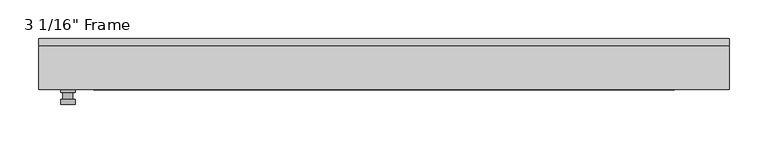
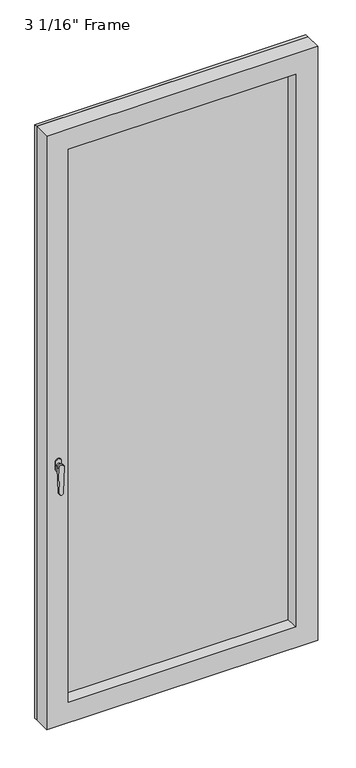
"""IFC4 building model written with IfcOpenShell, lengths in millimetres: plate geometry."""

from ifc_helpers import new_model, si_unit, frame, origin, place, context, project, spatial, polyline, circle_curve, outline, extrude, faceted_brep, source, transform, mapped, element, save
from ifc_brep_helpers import plane_surface, cylinder_surface, advanced_brep


def plate_81d3e316(model_context):
    return source(origin(), model_context, "Body", "SolidModel", [
        advanced_brep(
        [(-400.685, -33.3375, 927.1), (-400.685, -33.3375, 901.7), (-419.735, -33.3375, 901.7), (-419.735, -33.3375, 927.1), (-403.86, -46.0375, 914.4), (-416.56, -46.0375, 914.4), (-416.56, -36.5125, 914.4), (-403.86, -36.5125, 914.4), (-400.685, -46.0375, 914.4), (-403.8640356, -46.0375, 825.2736467), (-416.5559644, -46.0375, 825.2736467), (-419.735, -46.0375, 914.4), (-400.685, -52.3875, 914.4), (-419.735, -52.3875, 914.4), (-416.5559644, -52.3875, 825.2736467), (-403.8640356, -52.3875, 825.2736467), (-400.685, -36.5125, 927.1), (-419.735, -36.5125, 927.1), (-419.735, -36.5125, 901.7), (-400.685, -36.5125, 901.7)],
        [
            (0, 1),
            (1, 2, circle_curve(frame((-410.21, -33.3375, 901.7), z_axis=(0.0, 1.0, 0.0), x_axis=(-1.0, 0.0, 0.0)), 9.525)),
            (2, 3),
            (3, 0, circle_curve(frame((-410.21, -33.3375, 927.1), z_axis=(0.0, 1.0, 0.0), x_axis=(-1.0, 0.0, 0.0)), 9.525)),
            (4, 5, circle_curve(frame((-410.21, -46.0375, 914.4), z_axis=(0.0, 1.0, 0.0), x_axis=(-1.0, 0.0, 0.0)), 6.35)),
            (5, 6),
            (6, 7, circle_curve(frame((-410.21, -36.5125, 914.4), z_axis=(0.0, -1.0, 0.0), x_axis=(-1.0, 0.0, 0.0)), 6.35)),
            (7, 4),
            (5, 4, circle_curve(frame((-410.21, -46.0375, 914.4), z_axis=(0.0, 1.0, 0.0), x_axis=(-1.0, 0.0, 0.0)), 6.35)),
            (7, 6, circle_curve(frame((-410.21, -36.5125, 914.4), z_axis=(0.0, -1.0, 0.0), x_axis=(-1.0, 0.0, 0.0)), 6.35)),
            (8, 9),
            (9, 10, circle_curve(frame((-410.21, -46.0375, 825.5), z_axis=(0.0, 1.0, 0.0), x_axis=(-1.0, 0.0, 0.0)), 6.35)),
            (10, 11),
            (11, 8, circle_curve(frame((-410.21, -46.0375, 914.4), z_axis=(0.0, 1.0, 0.0), x_axis=(-1.0, 0.0, 0.0)), 9.525)),
            (12, 13, circle_curve(frame((-410.21, -52.3875, 914.4), z_axis=(0.0, -1.0, 0.0), x_axis=(-1.0, 0.0, 0.0)), 9.525)),
            (13, 14),
            (14, 15, circle_curve(frame((-410.21, -52.3875, 825.5), z_axis=(0.0, -1.0, 0.0), x_axis=(-1.0, 0.0, 0.0)), 6.35)),
            (15, 12),
            (8, 12),
            (15, 9),
            (14, 10),
            (13, 11),
            (16, 17, circle_curve(frame((-410.21, -36.5125, 927.1), z_axis=(0.0, -1.0, 0.0), x_axis=(-1.0, 0.0, 0.0)), 9.525)),
            (17, 18),
            (18, 19, circle_curve(frame((-410.21, -36.5125, 901.7), z_axis=(0.0, -1.0, 0.0), x_axis=(-1.0, 0.0, 0.0)), 9.525)),
            (19, 16),
            (0, 16),
            (19, 1),
            (18, 2),
            (17, 3),
        ],
        [
            plane_surface(frame((-416.56, -33.3375, 914.4), z_axis=(0.0, 1.0, 0.0), x_axis=(0.0, 0.0, 1.0))),
            cylinder_surface(frame((-410.21, -46.0375, 914.4), z_axis=(0.0, 1.0, 0.0), x_axis=(-1.0, 0.0, 0.0)), 6.35),
            plane_surface(frame((-400.685, -46.0375, 914.4), z_axis=(0.0, 1.0000000000000002, 0.0), x_axis=(-0.03564619348186888, 0.0, -0.9993644724975235))),
            plane_surface(frame((-400.685, -52.3875, 914.4), z_axis=(0.0, -1.0000000000000002, 0.0), x_axis=(0.03564619348186888, 0.0, 0.9993644724975235))),
            plane_surface(frame((-400.685, -46.0375, 914.4), z_axis=(0.9993644724975235, 0.0, -0.03564619348186888), x_axis=(0.0, -1.0, 0.0))),
            cylinder_surface(frame((-410.21, -52.3875, 825.5), z_axis=(0.0, 1.0, 0.0), x_axis=(-1.0, 0.0, 0.0)), 6.35),
            plane_surface(frame((-416.5559644, -46.0375, 825.2736467), z_axis=(-0.9993644724975228, 0.0, -0.03564619348188612), x_axis=(0.0, -1.0, 0.0))),
            cylinder_surface(frame((-410.21, -52.3875, 914.4), z_axis=(0.0, 1.0, 0.0), x_axis=(-1.0, 0.0, 0.0)), 9.525),
            plane_surface(frame((-400.685, -36.5125, 901.7), z_axis=(0.0, -1.0, 0.0), x_axis=(0.0, 0.0, 1.0))),
            plane_surface(frame((-400.685, -33.3375, 927.1), z_axis=(1.0, 0.0, 0.0), x_axis=(0.0, -1.0, 0.0))),
            cylinder_surface(frame((-410.21, -36.5125, 901.7), z_axis=(0.0, 1.0, 0.0), x_axis=(-1.0, 0.0, 0.0)), 9.525),
            plane_surface(frame((-419.735, -33.3375, 901.7), z_axis=(-1.0, 0.0, 0.0), x_axis=(0.0, -1.0, 0.0))),
            cylinder_surface(frame((-410.21, -36.5125, 927.1), z_axis=(0.0, 1.0, 0.0), x_axis=(-1.0, 0.0, 0.0)), 9.525),
        ],
        [
            (0, [[1, 2, 3, 4]]),
            (1, [[5, 6, 7, 8]]),
            (1, [[9, -8, 10, -6]]),
            (2, [[11, 12, 13, 14], [-5, -9]]),
            (3, [[15, 16, 17, 18]]),
            (4, [[-11, 19, -18, 20]]),
            (5, [[-12, -20, -17, 21]]),
            (6, [[-13, -21, -16, 22]]),
            (7, [[-14, -22, -15, -19]]),
            (8, [[23, 24, 25, 26], [-7, -10]]),
            (9, [[-1, 27, -26, 28]]),
            (10, [[-2, -28, -25, 29]]),
            (11, [[-3, -29, -24, 30]]),
            (12, [[-4, -30, -23, -27]]),
        ],
    ),
        extrude(outline(polyline([(0.0, -448.31), (0.0, 448.31), (2076.45, 448.31), (2076.45, -448.31), (0.0, -448.31)]), holes=[polyline([(1998.6625, -370.5225), (1998.6625, 370.5225), (77.7875, 370.5225), (77.7875, -370.5225), (1998.6625, -370.5225)])]), frame((0.0, 23.8125, 0.0), z_axis=(0.0, 1.0, 0.0), x_axis=(0.0, 0.0, 1.0)), (0.0, 0.0, 1.0), 9.525),
        faceted_brep([(-448.31, -33.3375, 0.0), (-448.31, 23.8125, 0.0), (448.31, 23.8125, 0.0), (448.31, -33.3375, 0.0), (-448.31, -33.3375, 2076.45), (-448.31, 23.8125, 2076.45), (448.31, 23.8125, 2076.45), (-383.2225, 23.8125, 2011.3625), (-383.2225, 23.8125, 65.0875), (383.2225, 23.8125, 65.0875), (383.2225, 23.8125, 2011.3625), (-383.2225, 0.0, 2011.3625), (-383.2225, 0.0, 65.0875), (383.2225, 0.0, 2011.3625), (383.2225, 0.0, 65.0875), (-370.5225, 0.0, 1998.6625), (-370.5225, 0.0, 77.7875), (370.5225, 0.0, 77.7875), (370.5225, 0.0, 1998.6625), (-376.8725, -33.3375, 2005.0125), (-376.8725, -33.3375, 71.4375), (448.31, -33.3375, 2076.45), (376.8725, -33.3375, 2005.0125), (376.8725, -33.3375, 71.4375)], [[[0, 1, 2, 3]], [[1, 0, 4, 5]], [[2, 1, 5, 6], [7, 8, 9, 10]], [[7, 11, 12, 8]], [[11, 13, 14, 12], [15, 16, 17, 18]], [[15, 19, 20, 16]], [[4, 0, 3, 21], [22, 23, 20, 19]], [[5, 4, 21, 6]], [[7, 10, 13, 11]], [[15, 18, 22, 19]], [[2, 6, 21, 3]], [[14, 13, 10, 9]], [[22, 18, 17, 23]], [[20, 23, 17, 16]], [[9, 8, 12, 14]]]),
        extrude(outline(polyline([(383.2225, 0.0), (-383.2225, 0.0), (-383.2225, 23.8125), (383.2225, 23.8125), (383.2225, 0.0)])), frame((0.0, 0.0, 65.0875), z_axis=(0.0, 0.0, 1.0), x_axis=(1.0, 0.0, 0.0)), (0.0, 0.0, 1.0), 1946.275),
    ])


if __name__ == "__main__":
    model = new_model("IFC4")
    model_context = context("Model", 3, world=origin())
    ifc_project = project(units=[si_unit("LENGTHUNIT", "METRE", prefix="MILLI")], contexts=[model_context])
    site = spatial("IfcSite", under=ifc_project)
    building = spatial("IfcBuilding", under=site)
    placement = place(None, origin())
    plate_shape = plate_81d3e316(model_context)
    element("IfcPlate", 1, ObjectType="3 1/16\" Frame", at=placement, inside=building, context=model_context, shape_type="MappedRepresentation", body=[
        mapped(plate_shape, transform((0.0, 0.0, 0.0), x_axis=(1.0, 0.0, 0.0), y_axis=(0.0, 1.0, 0.0), z_axis=(0.0, 0.0, 1.0))),
    ])
    save(model, "model.ifc")
